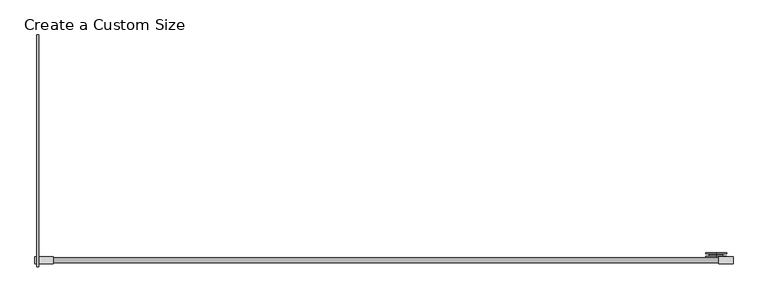
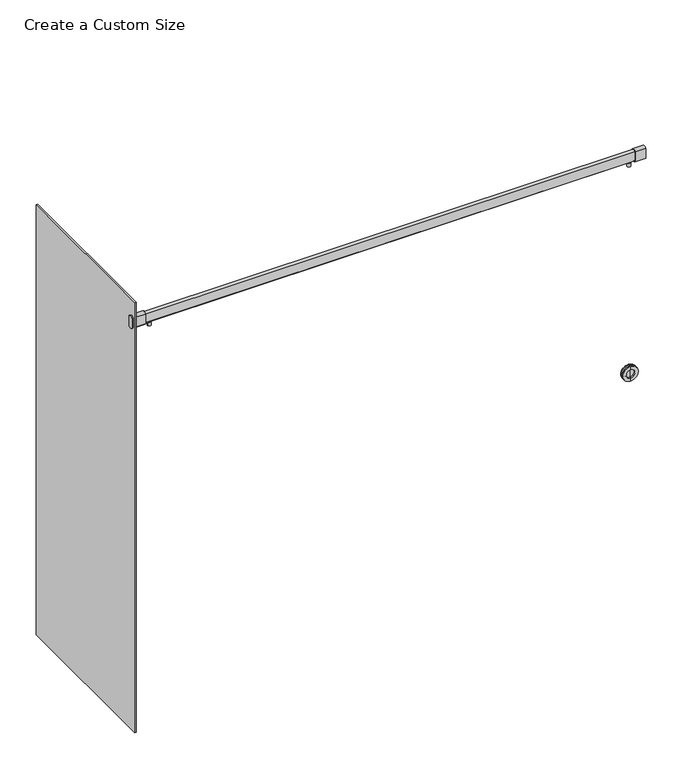
"""IFC4 building model written with IfcOpenShell, lengths in millimetres: proxy geometry, Create a Custom Size."""

import ifcopenshell
import ifcopenshell.guid

model = None  # the IFC model being written
_history = None  # IfcOwnerHistory: only IFC2X3 demands one
_inside = {}  # id of a spatial element -> (the spatial element, [elements in it])
_under = {}  # id of a project, library or spatial element -> (it, [spatial elements below it])
_declared = {}  # id of a project -> (the project, [libraries it declares])
_typed = {}  # id of a type object -> (the type object, [elements of that type])
_made_of = {}  # id of a material, layer set ... -> (it, [elements and type objects made of it])


def new_model(schema):
    """Start an empty IFC model of exactly this schema.

    Asked for "IFC4X3", IfcOpenShell would pick the latest addendum, in which some entities
    have other attributes; the version numbers below select the first issue.
    IFC2X3 requires an IfcOwnerHistory on every rooted entity: one is made here for all.
    """
    global model, _history
    if schema == "IFC4X3":
        model = ifcopenshell.file(schema_version=(4, 3, 0, 0))
    else:
        model = ifcopenshell.file(schema=schema)
    _inside.clear()
    _under.clear()
    _declared.clear()
    _typed.clear()
    _made_of.clear()
    _history = None
    if model.schema == "IFC2X3":
        org = make("IfcOrganization", Name="unknown")
        user = make(
            "IfcPersonAndOrganization",
            ThePerson=make("IfcPerson", FamilyName="unknown"),
            TheOrganization=org,
        )
        app = make(
            "IfcApplication",
            ApplicationDeveloper=org,
            Version="unknown",
            ApplicationFullName="unknown",
            ApplicationIdentifier="unknown",
        )
        _history = make(
            "IfcOwnerHistory",
            OwningUser=user,
            OwningApplication=app,
            ChangeAction="ADDED",
            CreationDate=0,
        )
    return model


def make(cls, **values):
    """One entity of the class cls with the attributes given. An attribute that is None is left unset."""
    return model.create_entity(
        cls, **{name: value for name, value in values.items() if value is not None}
    )


def rooted(cls, **values):
    """An entity with a GlobalId (a new one), such as an element, a storey or a relation."""
    return make(cls, GlobalId=ifcopenshell.guid.new(), OwnerHistory=_history, **values)


def si_unit(unit_type, name, prefix=None):
    """IfcSIUnit, for example si_unit("LENGTHUNIT", "METRE", prefix="MILLI")."""
    return make("IfcSIUnit", UnitType=unit_type, Prefix=prefix, Name=name)


def assignment(units):
    """IfcUnitAssignment: the units of a project."""
    return None if units is None else make("IfcUnitAssignment", Units=units)


def point(xyz):
    """IfcCartesianPoint."""
    return None if xyz is None else make("IfcCartesianPoint", Coordinates=xyz)


def direction(xyz):
    """IfcDirection."""
    return None if xyz is None else make("IfcDirection", DirectionRatios=xyz)


def frame(location, z_axis=None, x_axis=None):
    """IfcAxis2Placement3D, a coordinate frame: its origin and axes. An axis left out is left unset."""
    return make(
        "IfcAxis2Placement3D",
        Location=point(location),
        Axis=direction(z_axis),
        RefDirection=direction(x_axis),
    )


def frame_2d(location, x_axis=None):
    """IfcAxis2Placement2D, a coordinate frame in the plane: its origin and x axis."""
    return make(
        "IfcAxis2Placement2D", Location=point(location), RefDirection=direction(x_axis)
    )


def origin():
    """The frame at (0, 0, 0) with its axes left unset."""
    return frame((0.0, 0.0, 0.0))


def place(relative_to, where):
    """IfcLocalPlacement: puts the frame where relative to a parent placement (None: the world)."""
    return make(
        "IfcLocalPlacement", PlacementRelTo=relative_to, RelativePlacement=where
    )


def context(
    kind, dimensions, precision=None, world=None, true_north=None, identifier=None
):
    """IfcGeometricRepresentationContext, for example the 3D "Model" context."""
    return make(
        "IfcGeometricRepresentationContext",
        ContextIdentifier=identifier,
        ContextType=kind,
        CoordinateSpaceDimension=dimensions,
        Precision=precision,
        WorldCoordinateSystem=world,
        TrueNorth=true_north,
    )


def project(units=None, contexts=None):
    """IfcProject with its units and contexts."""
    return rooted(
        "IfcProject",
        Name="project",
        RepresentationContexts=contexts,
        UnitsInContext=assignment(units),
    )


def spatial(cls, under=None, at=None, **own):
    """A site, building, storey or space (cls), placed at a placement, below another one or the project."""
    s = rooted(cls, ObjectPlacement=at, **own)
    if under is not None:
        _under.setdefault(under.id(), (under, []))[1].append(s)
    return s


def polyline(points):
    """IfcPolyline through the points."""
    return make("IfcPolyline", Points=[point(p) for p in points])


def circle_curve(where, radius):
    """IfcCircle in the frame where."""
    return make("IfcCircle", Position=where, Radius=radius)


def trimmed(basis, trim1, trim2, sense, master):
    """IfcTrimmedCurve: the piece of a basis curve between two trims."""
    return make(
        "IfcTrimmedCurve",
        BasisCurve=basis,
        Trim1=trim1,
        Trim2=trim2,
        SenseAgreement=sense,
        MasterRepresentation=master,
    )


def segment(curve, same_sense, transition):
    """IfcCompositeCurveSegment."""
    return make(
        "IfcCompositeCurveSegment",
        Transition=transition,
        SameSense=same_sense,
        ParentCurve=curve,
    )


def composite_curve(segments, self_intersect=None):
    """IfcCompositeCurve: segments joined end to end."""
    return make("IfcCompositeCurve", Segments=segments, SelfIntersect=self_intersect)


def outline(outer, holes=None, kind="AREA"):
    """IfcArbitraryClosedProfileDef: a profile drawn as a closed curve; with holes, ...WithVoids."""
    if holes is None:
        return make("IfcArbitraryClosedProfileDef", ProfileType=kind, OuterCurve=outer)
    return make(
        "IfcArbitraryProfileDefWithVoids",
        ProfileType=kind,
        OuterCurve=outer,
        InnerCurves=holes,
    )


def extrude(swept, where, along, depth):
    """IfcExtrudedAreaSolid: the profile swept, set in the frame where, extruded along a direction by depth."""
    return make(
        "IfcExtrudedAreaSolid",
        SweptArea=swept,
        Position=where,
        ExtrudedDirection=direction(along),
        Depth=depth,
    )


def shape(context_of_items, identifier, shape_type, items):
    """IfcShapeRepresentation: the items that make up one representation, for example the "Body"."""
    return make(
        "IfcShapeRepresentation",
        ContextOfItems=context_of_items,
        RepresentationIdentifier=identifier,
        RepresentationType=shape_type,
        Items=items,
    )


def source(mapping_origin, context_of_items, identifier, shape_type, items):
    """IfcRepresentationMap: a shape defined once, which mapped items show again and again."""
    return make(
        "IfcRepresentationMap",
        MappingOrigin=mapping_origin,
        MappedRepresentation=shape(context_of_items, identifier, shape_type, items),
    )


def transform(
    local_origin,
    x_axis=None,
    y_axis=None,
    z_axis=None,
    scale=None,
    scale2=None,
    scale3=None,
    uniform=True,
):
    """IfcCartesianTransformationOperator3D, or its non-uniform kind. x_axis, y_axis, z_axis: its Axis1, 2, 3."""
    if uniform:
        return make(
            "IfcCartesianTransformationOperator3D",
            Axis1=direction(x_axis),
            Axis2=direction(y_axis),
            LocalOrigin=point(local_origin),
            Scale=scale,
            Axis3=direction(z_axis),
        )
    return make(
        "IfcCartesianTransformationOperator3DnonUniform",
        Axis1=direction(x_axis),
        Axis2=direction(y_axis),
        LocalOrigin=point(local_origin),
        Scale=scale,
        Axis3=direction(z_axis),
        Scale2=scale2,
        Scale3=scale3,
    )


def mapped(mapping_source, mapping_target):
    """IfcMappedItem: shows the shape of a source again, moved by a transform."""
    return make(
        "IfcMappedItem", MappingSource=mapping_source, MappingTarget=mapping_target
    )


def made_of(thing, what):
    """Note that an element or type object is made of a material, layer set ...; save() writes the relation."""
    if what is not None:
        _made_of.setdefault(what.id(), (what, []))[1].append(thing)
    return thing


def element(
    cls,
    number,
    at=None,
    inside=None,
    cuts=None,
    type_object=None,
    material=None,
    context=None,
    identifier="Body",
    shape_type=None,
    held_by="IfcProductDefinitionShape",
    body=None,
    shapes=None,
    **own,
):
    """One element of the class cls, such as IfcWall. Its Tag is "e" and its number.

    at: its placement. inside: the storey or other place that contains it. cuts: it is an
    opening in that element (IfcRelVoidsElement). A single representation is given by context,
    identifier, shape_type and body (its items); several are given by shapes. held_by: the class
    of the entity that holds the representations. save() writes the other relations.
    """
    e = rooted(cls, Tag="e%d" % number, ObjectPlacement=at, **own)
    if body is not None:
        shapes = [shape(context, identifier, shape_type, body)]
    if shapes is not None:
        e.Representation = make(held_by, Representations=shapes)
    if inside is not None:
        _inside.setdefault(inside.id(), (inside, []))[1].append(e)
    if cuts is not None:
        rooted(
            "IfcRelVoidsElement", RelatingBuildingElement=cuts, RelatedOpeningElement=e
        )
    if type_object is not None:
        _typed.setdefault(type_object.id(), (type_object, []))[1].append(e)
    return made_of(e, material)


def aggregate(whole, parts):
    """IfcRelAggregates: a whole, such as a stair, and the parts it consists of."""
    return rooted("IfcRelAggregates", RelatingObject=whole, RelatedObjects=parts)


def save(model, path):
    """Write the relations noted so far, then the file.

    IfcRelAggregates (storeys below a building ...), IfcRelContainedInSpatialStructure (elements
    in a storey), IfcRelDefinesByType, IfcRelAssociatesMaterial and IfcRelDeclares: one each for
    every whole, place, type object, material and project.
    """
    for whole, parts in _under.values():
        aggregate(whole, parts)
    for where, things in _inside.values():
        rooted(
            "IfcRelContainedInSpatialStructure",
            RelatedElements=things,
            RelatingStructure=where,
        )
    for kind, things in _typed.values():
        rooted("IfcRelDefinesByType", RelatedObjects=things, RelatingType=kind)
    for what, things in _made_of.values():
        rooted("IfcRelAssociatesMaterial", RelatedObjects=things, RelatingMaterial=what)
    for by, libraries in _declared.values():
        rooted("IfcRelDeclares", RelatingContext=by, RelatedDefinitions=libraries)
    model.write(path)


def plane_surface(at):
    """IfcPlane: the flat surface through the origin of the frame at, square to its z axis."""
    return make("IfcPlane", Position=at)


def cylinder_surface(at, radius):
    """IfcCylindricalSurface: all points at the distance radius from the z axis of the frame at."""
    return make("IfcCylindricalSurface", Position=at, Radius=radius)


def revolved_surface(curve, axis_point, axis_direction):
    """IfcSurfaceOfRevolution: the curve turned about the line through axis_point along axis_direction."""
    return make(
        "IfcSurfaceOfRevolution",
        SweptCurve=make("IfcArbitraryOpenProfileDef", ProfileType="CURVE", Curve=curve),
        AxisPosition=make("IfcAxis1Placement", Location=point(axis_point), Axis=direction(axis_direction)),
    )


def advanced_brep(points, edges, surfaces, faces):
    """IfcAdvancedBrep: a solid bounded by faces that lie on surfaces and meet in shared edges.

    An edge is (start, end): straight between two places in points (the first is 0);
    or (start, end, curve); or (start, end, curve, False) where it runs against its curve.
    A face is (place in surfaces, loops), or (place, loops, False) where it looks against
    its surface's normal. A loop lists edges by number (the first is 1), with a minus sign
    where the edge is run from its end to its start. The first loop is the outer one.
    """
    corners = [point(p) for p in points]
    vertices = [make("IfcVertexPoint", VertexGeometry=c) for c in corners]
    made = []
    for start, end, *more in edges:
        made.append(
            make(
                "IfcEdgeCurve",
                EdgeStart=vertices[start],
                EdgeEnd=vertices[end],
                EdgeGeometry=more[0] if more else make("IfcPolyline", Points=[corners[start], corners[end]]),
                SameSense=more[1] if len(more) > 1 else True,
            )
        )
    hull = []
    for where, loops, *sense in faces:
        bounds = []
        for j, loop in enumerate(loops):
            ring = [make("IfcOrientedEdge", EdgeElement=made[abs(k) - 1], Orientation=k > 0) for k in loop]
            bounds.append(
                make(
                    "IfcFaceOuterBound" if j == 0 else "IfcFaceBound",
                    Bound=make("IfcEdgeLoop", EdgeList=ring),
                    Orientation=True,
                )
            )
        hull.append(make("IfcAdvancedFace", Bounds=bounds, FaceSurface=surfaces[where], SameSense=sense[0] if sense else True))
    return make("IfcAdvancedBrep", Outer=make("IfcClosedShell", CfsFaces=hull))


def create_a_custom_size_0db484a5(model_context):
    return source(origin(), model_context, "Body", "SolidModel", [
        advanced_brep(
        [(1300.1625, 33.8125, 1117.6), (1300.1625, 33.8125, 1035.05), (1300.1625, 29.05, 1035.05), (1300.1625, 29.05, 1117.6), (1300.1625, 33.8125, 1103.3125), (1300.1625, 33.8125, 1049.3375), (1300.1625, 38.575, 1103.3125), (1300.1625, 38.575, 1049.3375), (1300.1625, 38.575, 1076.325), (1300.1625, 37.78125, 1100.1375), (1300.1625, 37.78125, 1052.5125), (1300.1625, 37.78125, 1076.325), (1300.1625, 29.05, 1100.1375), (1300.1625, 29.05, 1052.5125)],
        [
            (0, 1, circle_curve(frame((1300.1625, 33.8125, 1076.325), z_axis=(0.0, -1.0, 0.0), x_axis=(0.0, 0.0, -1.0)), 41.275)),
            (1, 2),
            (2, 3, circle_curve(frame((1300.1625, 29.05, 1076.325), z_axis=(0.0, 1.0, 0.0), x_axis=(0.0, 0.0, -1.0)), 41.275)),
            (3, 0),
            (1, 0, circle_curve(frame((1300.1625, 33.8125, 1076.325), z_axis=(0.0, -1.0, 0.0), x_axis=(0.0, 0.0, -1.0)), 41.275)),
            (3, 2, circle_curve(frame((1300.1625, 29.05, 1076.325), z_axis=(0.0, 1.0, 0.0), x_axis=(0.0, 0.0, -1.0)), 41.275)),
            (4, 5, circle_curve(frame((1300.1625, 33.8125, 1076.325), z_axis=(0.0, -1.0, 0.0), x_axis=(0.0, 0.0, -1.0)), 26.9875)),
            (5, 1),
            (0, 4),
            (5, 4, circle_curve(frame((1300.1625, 33.8125, 1076.325), z_axis=(0.0, -1.0, 0.0), x_axis=(0.0, 0.0, -1.0)), 26.9875)),
            (6, 7, circle_curve(frame((1300.1625, 38.575, 1076.325), z_axis=(0.0, -1.0, 0.0), x_axis=(0.0, 0.0, -1.0)), 26.9875)),
            (7, 5),
            (4, 6),
            (7, 6, circle_curve(frame((1300.1625, 38.575, 1076.325), z_axis=(0.0, -1.0, 0.0), x_axis=(0.0, 0.0, -1.0)), 26.9875)),
            (8, 7),
            (6, 8),
            (9, 10, circle_curve(frame((1300.1625, 37.78125, 1076.325), z_axis=(0.0, -1.0, 0.0), x_axis=(0.0, 0.0, -1.0)), 23.8125)),
            (10, 11),
            (11, 9),
            (10, 9, circle_curve(frame((1300.1625, 37.78125, 1076.325), z_axis=(0.0, -1.0, 0.0), x_axis=(0.0, 0.0, -1.0)), 23.8125)),
            (12, 13, circle_curve(frame((1300.1625, 29.05, 1076.325), z_axis=(0.0, -1.0, 0.0), x_axis=(0.0, 0.0, -1.0)), 23.8125)),
            (13, 10),
            (9, 12),
            (13, 12, circle_curve(frame((1300.1625, 29.05, 1076.325), z_axis=(0.0, -1.0, 0.0), x_axis=(0.0, 0.0, -1.0)), 23.8125)),
            (2, 13),
            (12, 3),
        ],
        [
            cylinder_surface(frame((1300.1625, -13.175, 1076.325), z_axis=(0.0, 1.0, 0.0), x_axis=(0.0, 0.0, -1.0)), 41.275),
            plane_surface(frame((1300.1625, 33.8125, 1076.325), z_axis=(0.0, 1.0, 0.0), x_axis=(0.0, 0.0, -1.0))),
            cylinder_surface(frame((1300.1625, -13.175, 1076.325), z_axis=(0.0, 1.0, 0.0), x_axis=(0.0, 0.0, -1.0)), 26.9875),
            plane_surface(frame((1300.1625, 38.575, 1076.325), z_axis=(0.0, 1.0, 0.0), x_axis=(0.0, 0.0, -1.0))),
            plane_surface(frame((1300.1625, 37.78125, 1076.325), z_axis=(0.0, -1.0, 0.0), x_axis=(0.0, 0.0, -1.0))),
            revolved_surface(polyline([(1300.1625, 37.78125, 1052.5125), (1300.1625, 29.05, 1052.5125)]), (1300.1625, -13.175, 1076.325), (0.0, 1.0, 0.0)),
            plane_surface(frame((1300.1625, 29.05, 1076.325), z_axis=(0.0, -1.0, 0.0), x_axis=(0.0, 0.0, -1.0))),
        ],
        [
            (0, [[1, 2, 3, 4]]),
            (0, [[5, -4, 6, -2]]),
            (1, [[7, 8, -1, 9]]),
            (1, [[10, -9, -5, -8]]),
            (2, [[11, 12, -7, 13]]),
            (2, [[14, -13, -10, -12]]),
            (3, [[15, -11, 16]]),
            (3, [[-16, -14, -15]]),
            (4, [[17, 18, 19]]),
            (4, [[20, -19, -18]]),
            (5, [[21, 22, -17, 23]]),
            (5, [[24, -23, -20, -22]]),
            (6, [[-3, 25, -21, 26]]),
            (6, [[-6, -26, -24, -25]]),
        ],
    ),
        advanced_brep(
        [(1300.1625, 48.1, 1100.1375), (1300.1625, 48.1, 1052.5125), (1300.1625, 48.1, 1035.05), (1300.1625, 48.1, 1117.6), (1300.1625, 39.36875, 1100.1375), (1300.1625, 39.36875, 1052.5125), (1300.1625, 39.36875, 1076.325), (1300.1625, 38.575, 1103.3125), (1300.1625, 38.575, 1049.3375), (1300.1625, 38.575, 1076.325), (1300.1625, 43.3375, 1103.3125), (1300.1625, 43.3375, 1049.3375), (1300.1625, 43.3375, 1117.6), (1300.1625, 43.3375, 1035.05)],
        [
            (0, 1, circle_curve(frame((1300.1625, 48.1, 1076.325), z_axis=(0.0, -1.0, 0.0), x_axis=(0.0, 0.0, -1.0)), 23.8125)),
            (1, 2),
            (2, 3, circle_curve(frame((1300.1625, 48.1, 1076.325), z_axis=(0.0, 1.0, 0.0), x_axis=(0.0, 0.0, -1.0)), 41.275)),
            (3, 0),
            (1, 0, circle_curve(frame((1300.1625, 48.1, 1076.325), z_axis=(0.0, -1.0, 0.0), x_axis=(0.0, 0.0, -1.0)), 23.8125)),
            (3, 2, circle_curve(frame((1300.1625, 48.1, 1076.325), z_axis=(0.0, 1.0, 0.0), x_axis=(0.0, 0.0, -1.0)), 41.275)),
            (4, 5, circle_curve(frame((1300.1625, 39.36875, 1076.325), z_axis=(0.0, -1.0, 0.0), x_axis=(0.0, 0.0, -1.0)), 23.8125)),
            (5, 1),
            (0, 4),
            (5, 4, circle_curve(frame((1300.1625, 39.36875, 1076.325), z_axis=(0.0, -1.0, 0.0), x_axis=(0.0, 0.0, -1.0)), 23.8125)),
            (6, 5),
            (4, 6),
            (7, 8, circle_curve(frame((1300.1625, 38.575, 1076.325), z_axis=(0.0, -1.0, 0.0), x_axis=(0.0, 0.0, -1.0)), 26.9875)),
            (8, 9),
            (9, 7),
            (8, 7, circle_curve(frame((1300.1625, 38.575, 1076.325), z_axis=(0.0, -1.0, 0.0), x_axis=(0.0, 0.0, -1.0)), 26.9875)),
            (10, 11, circle_curve(frame((1300.1625, 43.3375, 1076.325), z_axis=(0.0, -1.0, 0.0), x_axis=(0.0, 0.0, -1.0)), 26.9875)),
            (11, 8),
            (7, 10),
            (11, 10, circle_curve(frame((1300.1625, 43.3375, 1076.325), z_axis=(0.0, -1.0, 0.0), x_axis=(0.0, 0.0, -1.0)), 26.9875)),
            (12, 13, circle_curve(frame((1300.1625, 43.3375, 1076.325), z_axis=(0.0, -1.0, 0.0), x_axis=(0.0, 0.0, -1.0)), 41.275)),
            (13, 11),
            (10, 12),
            (13, 12, circle_curve(frame((1300.1625, 43.3375, 1076.325), z_axis=(0.0, -1.0, 0.0), x_axis=(0.0, 0.0, -1.0)), 41.275)),
            (2, 13),
            (12, 3),
        ],
        [
            plane_surface(frame((1300.1625, 48.1, 1076.325), z_axis=(0.0, 1.0, 0.0), x_axis=(0.0, 0.0, -1.0))),
            revolved_surface(polyline([(1300.1625, 48.1, 1052.5125), (1300.1625, 39.36875, 1052.5125)]), (1300.1625, 5.875, 1076.325), (0.0, 1.0, 0.0)),
            plane_surface(frame((1300.1625, 39.36875, 1076.325), z_axis=(0.0, 1.0, 0.0), x_axis=(0.0, 0.0, -1.0))),
            plane_surface(frame((1300.1625, 38.575, 1076.325), z_axis=(0.0, -1.0, 0.0), x_axis=(0.0, 0.0, -1.0))),
            cylinder_surface(frame((1300.1625, 5.875, 1076.325), z_axis=(0.0, 1.0, 0.0), x_axis=(0.0, 0.0, -1.0)), 26.9875),
            plane_surface(frame((1300.1625, 43.3375, 1076.325), z_axis=(0.0, -1.0, 0.0), x_axis=(0.0, 0.0, -1.0))),
            cylinder_surface(frame((1300.1625, 5.875, 1076.325), z_axis=(0.0, 1.0, 0.0), x_axis=(0.0, 0.0, -1.0)), 41.275),
        ],
        [
            (0, [[1, 2, 3, 4]]),
            (0, [[5, -4, 6, -2]]),
            (1, [[7, 8, -1, 9]]),
            (1, [[10, -9, -5, -8]]),
            (2, [[11, -7, 12]]),
            (2, [[-12, -10, -11]]),
            (3, [[13, 14, 15]]),
            (3, [[16, -15, -14]]),
            (4, [[17, 18, -13, 19]]),
            (4, [[20, -19, -16, -18]]),
            (5, [[21, 22, -17, 23]]),
            (5, [[24, -23, -20, -22]]),
            (6, [[-3, 25, -21, 26]]),
            (6, [[-6, -26, -24, -25]]),
        ],
    ),
        extrude(outline(composite_curve([segment(trimmed(circle_curve(frame_2d((17.4625, 2299.2776496)), 17.8435), [point((31.496, 2288.2571519))], [point((3.429, 2288.2571519))], False, "CARTESIAN"), True, "CONTINUOUS"), segment(polyline([(3.429, 2288.2571519), (3.429, 2343.8771779)]), True, "CONTINUOUS"), segment(trimmed(circle_curve(frame_2d((17.4625, 2332.8566802)), 17.8435), [point((3.429, 2343.8771779))], [point((31.496, 2343.8771779))], False, "CARTESIAN"), True, "CONTINUOUS"), segment(polyline([(31.496, 2343.8771779), (31.496, 2288.2571519)]), True, "CONTINUOUS")], self_intersect=False)), frame((-1382.7125, 0.0, 0.0), z_axis=(1.0, 0.0, 0.0), x_axis=(0.0, 1.0, 0.0)), (0.0, 0.0, 1.0), 6.35),
        extrude(outline(composite_curve([segment(trimmed(circle_curve(frame_2d((-1283.7315907, 17.1696557)), 8.9754819), [point((-1292.7070726, 17.1696557))], [point((-1274.7561089, 17.1696557))], False, "CARTESIAN"), True, "CONTINUOUS"), segment(trimmed(circle_curve(frame_2d((-1283.7315907, 17.1696557)), 8.9754819), [point((-1274.7561089, 17.1696557))], [point((-1292.7070726, 17.1696557))], False, "CARTESIAN"), True, "CONTINUOUS")], self_intersect=False)), frame((0.0, 0.0, 2264.8969845), z_axis=(0.0, 0.0, 1.0), x_axis=(1.0, 0.0, 0.0)), (0.0, 0.0, 1.0), 21.1738233),
        extrude(outline(composite_curve([segment(polyline([(27.78125, 2340.7788834), (27.78125, 2291.3554464)]), True, "CONTINUOUS"), segment(trimmed(circle_curve(frame_2d((17.4625, 2298.9254207)), 12.7976995), [point((27.78125, 2291.3554464))], [point((7.14375, 2291.3554464))], False, "CARTESIAN"), True, "CONTINUOUS"), segment(polyline([(7.14375, 2291.3554464), (7.14375, 2340.7788834)]), True, "CONTINUOUS"), segment(trimmed(circle_curve(frame_2d((17.4625, 2333.208909)), 12.7976995), [point((7.14375, 2340.7788834))], [point((27.78125, 2340.7788834))], False, "CARTESIAN"), True, "CONTINUOUS")], self_intersect=False)), frame((-1310.4749, 0.0, 0.0), z_axis=(1.0, 0.0, 0.0), x_axis=(0.0, 1.0, 0.0)), (0.0, 0.0, 1.0), 2620.9498),
        extrude(outline(composite_curve([segment(trimmed(circle_curve(frame_2d((1283.7315907, 17.1696557)), 8.9754819), [point((1292.7070726, 17.1696557))], [point((1274.7561089, 17.1696557))], False, "CARTESIAN"), True, "CONTINUOUS"), segment(trimmed(circle_curve(frame_2d((1283.7315907, 17.1696557)), 8.9754819), [point((1274.7561089, 17.1696557))], [point((1292.7070726, 17.1696557))], False, "CARTESIAN"), True, "CONTINUOUS")], self_intersect=False)), frame((0.0, 0.0, 2264.8969845), z_axis=(0.0, 0.0, 1.0), x_axis=(1.0, 0.0, 0.0)), (0.0, 0.0, 1.0), 21.1738233),
        extrude(outline(composite_curve([segment(trimmed(circle_curve(frame_2d((17.4625, 2299.2776496)), 17.8435), [point((31.496, 2288.2571519))], [point((3.429, 2288.2571519))], False, "CARTESIAN"), True, "CONTINUOUS"), segment(polyline([(3.429, 2288.2571519), (3.429, 2343.8771779)]), True, "CONTINUOUS"), segment(trimmed(circle_curve(frame_2d((17.4625, 2332.8566802)), 17.8435), [point((3.429, 2343.8771779))], [point((31.496, 2343.8771779))], False, "CARTESIAN"), True, "CONTINUOUS"), segment(polyline([(31.496, 2343.8771779), (31.496, 2288.2571519)]), True, "CONTINUOUS")], self_intersect=False)), frame((1310.4749, 0.0, 0.0), z_axis=(1.0, 0.0, 0.0), x_axis=(0.0, 1.0, 0.0)), (0.0, 0.0, 1.0), 56.3626),
        extrude(outline(composite_curve([segment(trimmed(circle_curve(frame_2d((17.4625, 2299.2776496)), 17.8435), [point((31.496, 2288.2571519))], [point((3.429, 2288.2571519))], False, "CARTESIAN"), True, "CONTINUOUS"), segment(polyline([(3.429, 2288.2571519), (3.429, 2343.8771779)]), True, "CONTINUOUS"), segment(trimmed(circle_curve(frame_2d((17.4625, 2332.8566802)), 17.8435), [point((3.429, 2343.8771779))], [point((31.496, 2343.8771779))], False, "CARTESIAN"), True, "CONTINUOUS"), segment(polyline([(31.496, 2343.8771779), (31.496, 2288.2571519)]), True, "CONTINUOUS")], self_intersect=False)), frame((-1366.8375, 0.0, 0.0), z_axis=(1.0, 0.0, 0.0), x_axis=(0.0, 1.0, 0.0)), (0.0, 0.0, 1.0), 56.3626),
        extrude(outline(polyline([(-1366.8375, 904.875), (-1366.8375, -8.73125), (-1376.3625, -8.73125), (-1376.3625, 904.875), (-1366.8375, 904.875)])), frame((0.0, 0.0, 6.35), z_axis=(0.0, 0.0, 1.0), x_axis=(1.0, 0.0, 0.0)), (0.0, 0.0, 1.0), 2432.05),
    ])


if __name__ == "__main__":
    model = new_model("IFC4")
    model_context = context("Model", 3, world=origin())
    ifc_project = project(units=[si_unit("LENGTHUNIT", "METRE", prefix="MILLI")], contexts=[model_context])
    site = spatial("IfcSite", under=ifc_project)
    building = spatial("IfcBuilding", under=site)
    placement = place(None, origin())
    create_a_custom_size_shape = create_a_custom_size_0db484a5(model_context)
    element("IfcBuildingElementProxy", 1, Name="Create a Custom Size", ObjectType="Create a Custom Size", at=placement, inside=building, context=model_context, shape_type="MappedRepresentation", body=[
        mapped(create_a_custom_size_shape, transform((0.0, 0.0, 0.0), x_axis=(1.0, 0.0, 0.0), y_axis=(0.0, 1.0, 0.0), z_axis=(0.0, 0.0, 1.0))),
    ])
    save(model, "model.ifc")
